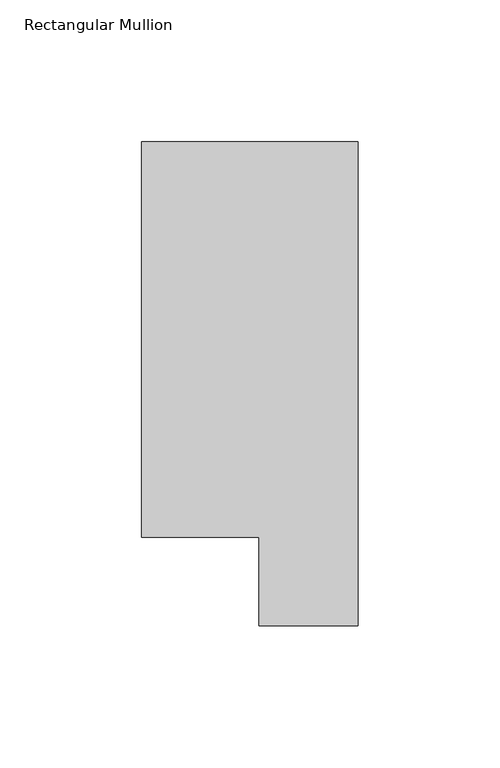
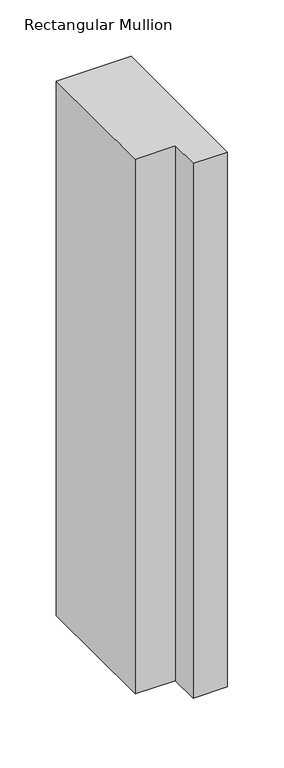
"""IFC4 building model written with IfcOpenShell, lengths in millimetres: member geometry, Rectangular Mullion."""

from ifc_helpers import new_model, si_unit, frame, origin, place, context, project, spatial, polyline, outline, extrude, source, transform, mapped, element, save


def rectangular_mullion_bd09d981(model_context):
    return source(origin(), model_context, "Body", "SweptSolid", [
        extrude(outline(polyline([(-76.2, 190.0007313), (0.0, 190.0007313), (0.0, 19.5667313), (-34.9123, 19.5667313), (-34.9123, 50.820278), (-76.2, 50.820278), (-76.2, 190.0007313)])), frame((0.0, 0.0, -577.85), z_axis=(0.0, 0.0, 1.0), x_axis=(1.0, 0.0, 0.0)), (0.0, 0.0, 1.0), 577.85),
    ])


if __name__ == "__main__":
    model = new_model("IFC4")
    model_context = context("Model", 3, world=origin())
    ifc_project = project(units=[si_unit("LENGTHUNIT", "METRE", prefix="MILLI")], contexts=[model_context])
    site = spatial("IfcSite", under=ifc_project)
    building = spatial("IfcBuilding", under=site)
    placement = place(None, origin())
    rectangular_mullion_shape = rectangular_mullion_bd09d981(model_context)
    element("IfcMember", 1, ObjectType="Rectangular Mullion", at=placement, inside=building, context=model_context, shape_type="MappedRepresentation", body=[
        mapped(rectangular_mullion_shape, transform((0.0, 0.0, 0.0), x_axis=(1.0, 0.0, 0.0), y_axis=(0.0, 1.0, 0.0), z_axis=(0.0, 0.0, 1.0))),
    ])
    save(model, "model.ifc")
